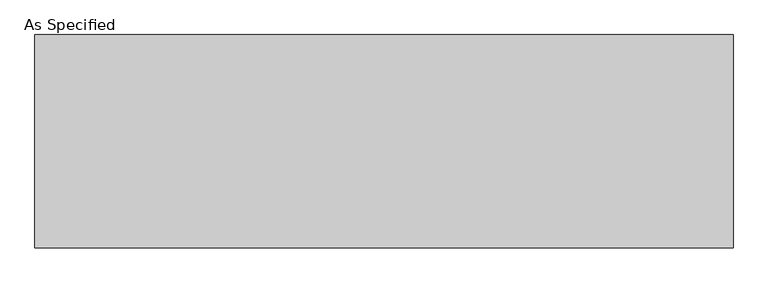
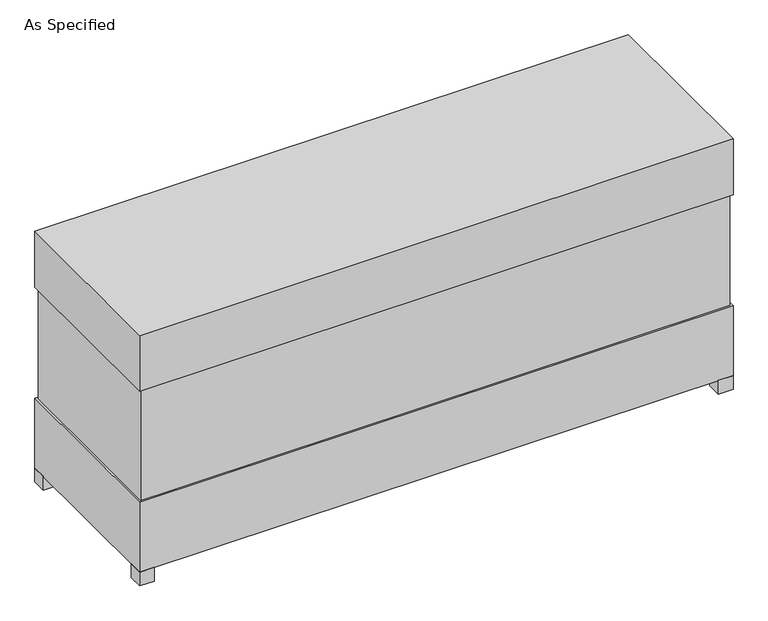
"""IFC4 building model written with IfcOpenShell, lengths in millimetres: proxy geometry, As Specified."""

from ifc_helpers import new_model, si_unit, frame, origin, origin_with_axes, place, context, project, spatial, polyline, outline, extrude, source, transform, mapped, element, save


def as_specified_baa7adf9(model_context):
    return source(origin(), model_context, "Body", "SweptSolid", [
        extrude(outline(polyline([(1525.5875, 458.7875), (1525.5875, -458.7875), (-1525.5875, -458.7875), (-1525.5875, 458.7875), (1525.5875, 458.7875)])), frame((0.0, 0.0, 457.2), z_axis=(0.0, 0.0, 1.0), x_axis=(1.0, 0.0, 0.0)), (0.0, 0.0, 1.0), 609.6),
        extrude(outline(polyline([(1536.7, 469.9), (1536.7, -469.9), (-1536.7, -469.9), (-1536.7, 469.9), (1536.7, 469.9)])), frame((0.0, 0.0, 1066.8), z_axis=(0.0, 0.0, 1.0), x_axis=(1.0, 0.0, 0.0)), (0.0, 0.0, 1.0), 304.8),
        extrude(outline(polyline([(1422.4, 254.0), (1422.4, 177.8), (1346.2, 177.8), (1346.2, 254.0), (1422.4, 254.0)])), frame((0.0, 0.0, 50.8), z_axis=(0.0, 0.0, 1.0), x_axis=(1.0, 0.0, 0.0)), (0.0, 0.0, 1.0), 25.4),
        extrude(outline(polyline([(1422.4, -177.8), (1422.4, -254.0), (1346.2, -254.0), (1346.2, -177.8), (1422.4, -177.8)])), frame((0.0, 0.0, 50.8), z_axis=(0.0, 0.0, 1.0), x_axis=(1.0, 0.0, 0.0)), (0.0, 0.0, 1.0), 25.4),
        extrude(outline(polyline([(-1460.5, 469.9), (-1460.5, 393.7), (-1536.7, 393.7), (-1536.7, 469.9), (-1460.5, 469.9)])), origin_with_axes(), (0.0, 0.0, 1.0), 76.2),
        extrude(outline(polyline([(1536.7, 469.9), (1536.7, 393.7), (1460.5, 393.7), (1460.5, 469.9), (1536.7, 469.9)])), origin_with_axes(), (0.0, 0.0, 1.0), 76.2),
        extrude(outline(polyline([(1536.7, -393.7), (1536.7, -469.9), (1460.5, -469.9), (1460.5, -393.7), (1536.7, -393.7)])), origin_with_axes(), (0.0, 0.0, 1.0), 76.2),
        extrude(outline(polyline([(-1460.5, -393.7), (-1460.5, -469.9), (-1536.7, -469.9), (-1536.7, -393.7), (-1460.5, -393.7)])), origin_with_axes(), (0.0, 0.0, 1.0), 76.2),
        extrude(outline(polyline([(1536.7, 469.9), (1536.7, -469.9), (-1536.7, -469.9), (-1536.7, 469.9), (1536.7, 469.9)])), frame((0.0, 0.0, 76.2), z_axis=(0.0, 0.0, 1.0), x_axis=(1.0, 0.0, 0.0)), (0.0, 0.0, 1.0), 381.0),
    ])


if __name__ == "__main__":
    model = new_model("IFC4")
    model_context = context("Model", 3, world=origin())
    ifc_project = project(units=[si_unit("LENGTHUNIT", "METRE", prefix="MILLI")], contexts=[model_context])
    site = spatial("IfcSite", under=ifc_project)
    building = spatial("IfcBuilding", under=site)
    placement = place(None, origin())
    as_specified_shape = as_specified_baa7adf9(model_context)
    element("IfcBuildingElementProxy", 1, Name="As Specified", ObjectType="As Specified", at=placement, inside=building, context=model_context, shape_type="MappedRepresentation", body=[
        mapped(as_specified_shape, transform((0.0, 0.0, 0.0), x_axis=(1.0, 0.0, 0.0), y_axis=(0.0, 1.0, 0.0), z_axis=(0.0, 0.0, 1.0))),
    ])
    save(model, "model.ifc")
